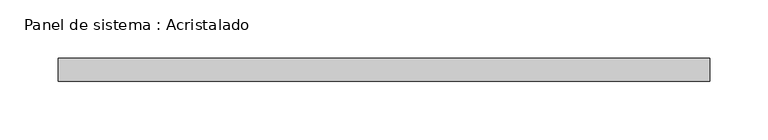
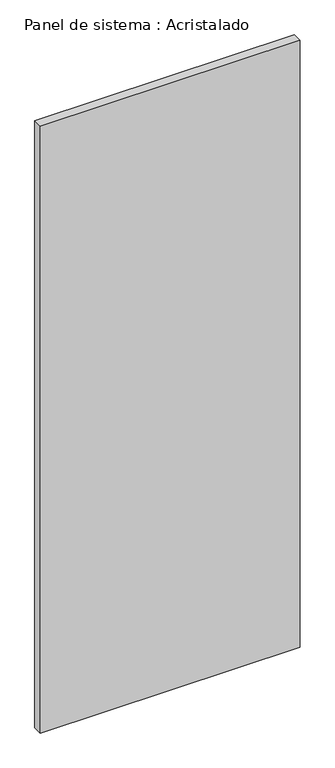
"""IFC4 building model written with IfcOpenShell, lengths in millimetres: plate geometry, Panel de sistema : Acristalado."""

from ifc_helpers import new_model, si_unit, origin, origin_with_axes, place, context, project, spatial, polyline, outline, extrude, source, transform, mapped, element, save


def panel_de_sistema_acristalado_e67c1a91(model_context):
    return source(origin(), model_context, "Body", "SweptSolid", [
        extrude(outline(polyline([(280.0, -10.0), (-280.0, -10.0), (-280.0, 10.0), (280.0, 10.0), (280.0, -10.0)])), origin_with_axes(), (0.0, 0.0, 1.0), 1382.4904288),
    ])


if __name__ == "__main__":
    model = new_model("IFC4")
    model_context = context("Model", 3, world=origin())
    ifc_project = project(units=[si_unit("LENGTHUNIT", "METRE", prefix="MILLI")], contexts=[model_context])
    site = spatial("IfcSite", under=ifc_project)
    building = spatial("IfcBuilding", under=site)
    placement = place(None, origin())
    panel_de_sistema_acristalado_shape = panel_de_sistema_acristalado_e67c1a91(model_context)
    element("IfcPlate", 1, ObjectType="Panel de sistema : Acristalado", at=placement, inside=building, context=model_context, shape_type="MappedRepresentation", body=[
        mapped(panel_de_sistema_acristalado_shape, transform((0.0, 0.0, 0.0), x_axis=(1.0, 0.0, 0.0), y_axis=(0.0, 1.0, 0.0), z_axis=(0.0, 0.0, 1.0))),
    ])
    save(model, "model.ifc")
